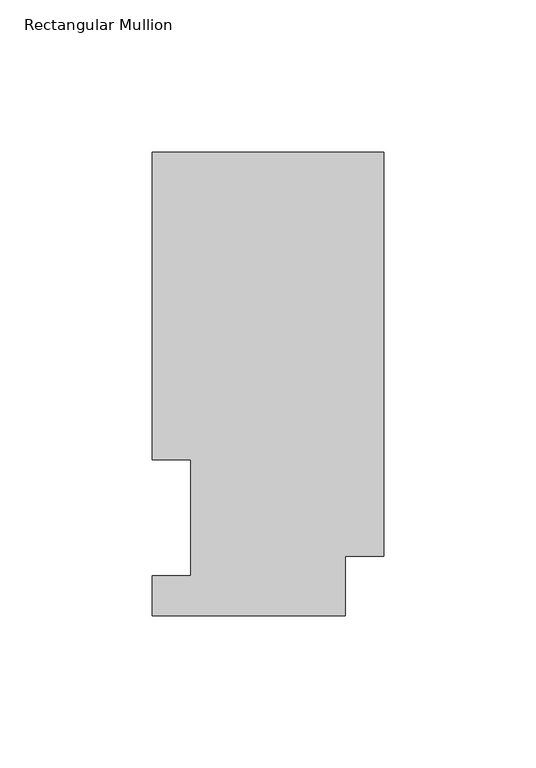
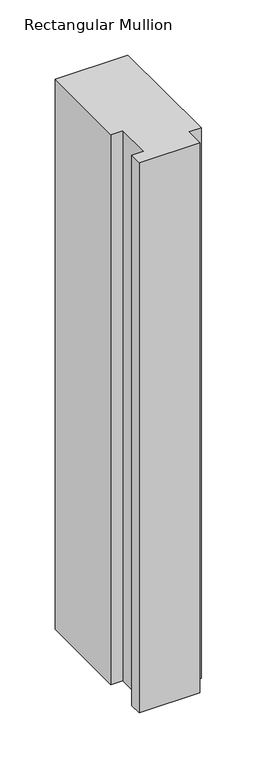
"""IFC4 building model written with IfcOpenShell, lengths in millimetres: member geometry, Rectangular Mullion."""

import ifcopenshell
import ifcopenshell.guid

model = None  # the IFC model being written
_history = None  # IfcOwnerHistory: only IFC2X3 demands one
_inside = {}  # id of a spatial element -> (the spatial element, [elements in it])
_under = {}  # id of a project, library or spatial element -> (it, [spatial elements below it])
_declared = {}  # id of a project -> (the project, [libraries it declares])
_typed = {}  # id of a type object -> (the type object, [elements of that type])
_made_of = {}  # id of a material, layer set ... -> (it, [elements and type objects made of it])


def new_model(schema):
    """Start an empty IFC model of exactly this schema.

    Asked for "IFC4X3", IfcOpenShell would pick the latest addendum, in which some entities
    have other attributes; the version numbers below select the first issue.
    IFC2X3 requires an IfcOwnerHistory on every rooted entity: one is made here for all.
    """
    global model, _history
    if schema == "IFC4X3":
        model = ifcopenshell.file(schema_version=(4, 3, 0, 0))
    else:
        model = ifcopenshell.file(schema=schema)
    _inside.clear()
    _under.clear()
    _declared.clear()
    _typed.clear()
    _made_of.clear()
    _history = None
    if model.schema == "IFC2X3":
        org = make("IfcOrganization", Name="unknown")
        user = make(
            "IfcPersonAndOrganization",
            ThePerson=make("IfcPerson", FamilyName="unknown"),
            TheOrganization=org,
        )
        app = make(
            "IfcApplication",
            ApplicationDeveloper=org,
            Version="unknown",
            ApplicationFullName="unknown",
            ApplicationIdentifier="unknown",
        )
        _history = make(
            "IfcOwnerHistory",
            OwningUser=user,
            OwningApplication=app,
            ChangeAction="ADDED",
            CreationDate=0,
        )
    return model


def make(cls, **values):
    """One entity of the class cls with the attributes given. An attribute that is None is left unset."""
    return model.create_entity(
        cls, **{name: value for name, value in values.items() if value is not None}
    )


def rooted(cls, **values):
    """An entity with a GlobalId (a new one), such as an element, a storey or a relation."""
    return make(cls, GlobalId=ifcopenshell.guid.new(), OwnerHistory=_history, **values)


def si_unit(unit_type, name, prefix=None):
    """IfcSIUnit, for example si_unit("LENGTHUNIT", "METRE", prefix="MILLI")."""
    return make("IfcSIUnit", UnitType=unit_type, Prefix=prefix, Name=name)


def assignment(units):
    """IfcUnitAssignment: the units of a project."""
    return None if units is None else make("IfcUnitAssignment", Units=units)


def point(xyz):
    """IfcCartesianPoint."""
    return None if xyz is None else make("IfcCartesianPoint", Coordinates=xyz)


def direction(xyz):
    """IfcDirection."""
    return None if xyz is None else make("IfcDirection", DirectionRatios=xyz)


def frame(location, z_axis=None, x_axis=None):
    """IfcAxis2Placement3D, a coordinate frame: its origin and axes. An axis left out is left unset."""
    return make(
        "IfcAxis2Placement3D",
        Location=point(location),
        Axis=direction(z_axis),
        RefDirection=direction(x_axis),
    )


def origin():
    """The frame at (0, 0, 0) with its axes left unset."""
    return frame((0.0, 0.0, 0.0))


def place(relative_to, where):
    """IfcLocalPlacement: puts the frame where relative to a parent placement (None: the world)."""
    return make(
        "IfcLocalPlacement", PlacementRelTo=relative_to, RelativePlacement=where
    )


def context(
    kind, dimensions, precision=None, world=None, true_north=None, identifier=None
):
    """IfcGeometricRepresentationContext, for example the 3D "Model" context."""
    return make(
        "IfcGeometricRepresentationContext",
        ContextIdentifier=identifier,
        ContextType=kind,
        CoordinateSpaceDimension=dimensions,
        Precision=precision,
        WorldCoordinateSystem=world,
        TrueNorth=true_north,
    )


def project(units=None, contexts=None):
    """IfcProject with its units and contexts."""
    return rooted(
        "IfcProject",
        Name="project",
        RepresentationContexts=contexts,
        UnitsInContext=assignment(units),
    )


def spatial(cls, under=None, at=None, **own):
    """A site, building, storey or space (cls), placed at a placement, below another one or the project."""
    s = rooted(cls, ObjectPlacement=at, **own)
    if under is not None:
        _under.setdefault(under.id(), (under, []))[1].append(s)
    return s


def polyline(points):
    """IfcPolyline through the points."""
    return make("IfcPolyline", Points=[point(p) for p in points])


def outline(outer, holes=None, kind="AREA"):
    """IfcArbitraryClosedProfileDef: a profile drawn as a closed curve; with holes, ...WithVoids."""
    if holes is None:
        return make("IfcArbitraryClosedProfileDef", ProfileType=kind, OuterCurve=outer)
    return make(
        "IfcArbitraryProfileDefWithVoids",
        ProfileType=kind,
        OuterCurve=outer,
        InnerCurves=holes,
    )


def extrude(swept, where, along, depth):
    """IfcExtrudedAreaSolid: the profile swept, set in the frame where, extruded along a direction by depth."""
    return make(
        "IfcExtrudedAreaSolid",
        SweptArea=swept,
        Position=where,
        ExtrudedDirection=direction(along),
        Depth=depth,
    )


def shape(context_of_items, identifier, shape_type, items):
    """IfcShapeRepresentation: the items that make up one representation, for example the "Body"."""
    return make(
        "IfcShapeRepresentation",
        ContextOfItems=context_of_items,
        RepresentationIdentifier=identifier,
        RepresentationType=shape_type,
        Items=items,
    )


def source(mapping_origin, context_of_items, identifier, shape_type, items):
    """IfcRepresentationMap: a shape defined once, which mapped items show again and again."""
    return make(
        "IfcRepresentationMap",
        MappingOrigin=mapping_origin,
        MappedRepresentation=shape(context_of_items, identifier, shape_type, items),
    )


def transform(
    local_origin,
    x_axis=None,
    y_axis=None,
    z_axis=None,
    scale=None,
    scale2=None,
    scale3=None,
    uniform=True,
):
    """IfcCartesianTransformationOperator3D, or its non-uniform kind. x_axis, y_axis, z_axis: its Axis1, 2, 3."""
    if uniform:
        return make(
            "IfcCartesianTransformationOperator3D",
            Axis1=direction(x_axis),
            Axis2=direction(y_axis),
            LocalOrigin=point(local_origin),
            Scale=scale,
            Axis3=direction(z_axis),
        )
    return make(
        "IfcCartesianTransformationOperator3DnonUniform",
        Axis1=direction(x_axis),
        Axis2=direction(y_axis),
        LocalOrigin=point(local_origin),
        Scale=scale,
        Axis3=direction(z_axis),
        Scale2=scale2,
        Scale3=scale3,
    )


def mapped(mapping_source, mapping_target):
    """IfcMappedItem: shows the shape of a source again, moved by a transform."""
    return make(
        "IfcMappedItem", MappingSource=mapping_source, MappingTarget=mapping_target
    )


def made_of(thing, what):
    """Note that an element or type object is made of a material, layer set ...; save() writes the relation."""
    if what is not None:
        _made_of.setdefault(what.id(), (what, []))[1].append(thing)
    return thing


def element(
    cls,
    number,
    at=None,
    inside=None,
    cuts=None,
    type_object=None,
    material=None,
    context=None,
    identifier="Body",
    shape_type=None,
    held_by="IfcProductDefinitionShape",
    body=None,
    shapes=None,
    **own,
):
    """One element of the class cls, such as IfcWall. Its Tag is "e" and its number.

    at: its placement. inside: the storey or other place that contains it. cuts: it is an
    opening in that element (IfcRelVoidsElement). A single representation is given by context,
    identifier, shape_type and body (its items); several are given by shapes. held_by: the class
    of the entity that holds the representations. save() writes the other relations.
    """
    e = rooted(cls, Tag="e%d" % number, ObjectPlacement=at, **own)
    if body is not None:
        shapes = [shape(context, identifier, shape_type, body)]
    if shapes is not None:
        e.Representation = make(held_by, Representations=shapes)
    if inside is not None:
        _inside.setdefault(inside.id(), (inside, []))[1].append(e)
    if cuts is not None:
        rooted(
            "IfcRelVoidsElement", RelatingBuildingElement=cuts, RelatedOpeningElement=e
        )
    if type_object is not None:
        _typed.setdefault(type_object.id(), (type_object, []))[1].append(e)
    return made_of(e, material)


def aggregate(whole, parts):
    """IfcRelAggregates: a whole, such as a stair, and the parts it consists of."""
    return rooted("IfcRelAggregates", RelatingObject=whole, RelatedObjects=parts)


def save(model, path):
    """Write the relations noted so far, then the file.

    IfcRelAggregates (storeys below a building ...), IfcRelContainedInSpatialStructure (elements
    in a storey), IfcRelDefinesByType, IfcRelAssociatesMaterial and IfcRelDeclares: one each for
    every whole, place, type object, material and project.
    """
    for whole, parts in _under.values():
        aggregate(whole, parts)
    for where, things in _inside.values():
        rooted(
            "IfcRelContainedInSpatialStructure",
            RelatedElements=things,
            RelatingStructure=where,
        )
    for kind, things in _typed.values():
        rooted("IfcRelDefinesByType", RelatedObjects=things, RelatingType=kind)
    for what, things in _made_of.values():
        rooted("IfcRelAssociatesMaterial", RelatedObjects=things, RelatingMaterial=what)
    for by, libraries in _declared.values():
        rooted("IfcRelDeclares", RelatingContext=by, RelatedDefinitions=libraries)
    model.write(path)


def rectangular_mullion_e0620926(model_context):
    return source(origin(), model_context, "Body", "SweptSolid", [
        extrude(outline(polyline([(-76.2, 13.1960938), (-63.5127, 13.1960938), (-63.5127, 51.2960938), (-76.2, 51.2960938), (-76.2, 152.4896938), (0.0, 152.4896938), (0.0, 19.5460937), (-12.7, 19.5460937), (-12.7, 0.0134938), (-76.2, 0.0134938), (-76.2, 13.1960938)])), frame((0.0, 0.0, -609.6), z_axis=(0.0, 0.0, 1.0), x_axis=(1.0, 0.0, 0.0)), (0.0, 0.0, 1.0), 609.6),
    ])


if __name__ == "__main__":
    model = new_model("IFC4")
    model_context = context("Model", 3, world=origin())
    ifc_project = project(units=[si_unit("LENGTHUNIT", "METRE", prefix="MILLI")], contexts=[model_context])
    site = spatial("IfcSite", under=ifc_project)
    building = spatial("IfcBuilding", under=site)
    placement = place(None, origin())
    rectangular_mullion_shape = rectangular_mullion_e0620926(model_context)
    element("IfcMember", 1, ObjectType="Rectangular Mullion", at=placement, inside=building, context=model_context, shape_type="MappedRepresentation", body=[
        mapped(rectangular_mullion_shape, transform((0.0, 0.0, 0.0), x_axis=(1.0, 0.0, 0.0), y_axis=(0.0, 1.0, 0.0), z_axis=(0.0, 0.0, 1.0))),
    ])
    save(model, "model.ifc")
